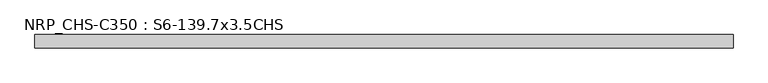
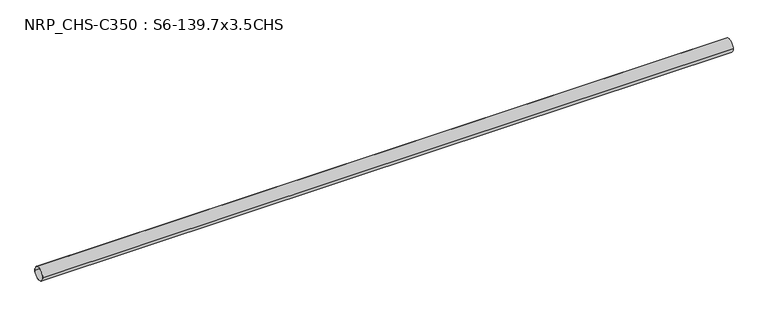
"""IFC4 building model written with IfcOpenShell, lengths in millimetres: beam geometry, NRP_CHS-C350 : S6-139.7x3.5CHS."""

from ifc_helpers import new_model, si_unit, point, frame, origin, origin_2d, place, context, project, spatial, circle_curve, trimmed, segment, composite_curve, outline, extrude, source, transform, mapped, element, save


def nrp_chs_c350_s6_139_7x3_5chs_2695c029(model_context):
    return source(origin(), model_context, "Body", "SweptSolid", [
        extrude(outline(composite_curve([segment(trimmed(circle_curve(origin_2d(), 69.85), [point((69.85, 0.0))], [point((-69.85, 0.0))], False, "CARTESIAN"), True, "CONTINUOUS"), segment(trimmed(circle_curve(origin_2d(), 69.85), [point((-69.85, 0.0))], [point((69.85, 0.0))], False, "CARTESIAN"), True, "CONTINUOUS")], self_intersect=False), holes=[composite_curve([segment(trimmed(circle_curve(origin_2d(), 66.35), [point((-66.35, 0.0))], [point((66.35, 0.0))], True, "CARTESIAN"), True, "CONTINUOUS"), segment(trimmed(circle_curve(origin_2d(), 66.35), [point((66.35, 0.0))], [point((-66.35, 0.0))], True, "CARTESIAN"), True, "CONTINUOUS")], self_intersect=False)]), frame((-3604.05, 0.0, 0.0), z_axis=(1.0, 0.0, 0.0), x_axis=(0.0, 1.0, 0.0)), (0.0, 0.0, 1.0), 7198.6),
    ])


if __name__ == "__main__":
    model = new_model("IFC4")
    model_context = context("Model", 3, world=origin())
    ifc_project = project(units=[si_unit("LENGTHUNIT", "METRE", prefix="MILLI")], contexts=[model_context])
    site = spatial("IfcSite", under=ifc_project)
    building = spatial("IfcBuilding", under=site)
    placement = place(None, origin())
    nrp_chs_c350_s6_139_7x3_5chs_shape = nrp_chs_c350_s6_139_7x3_5chs_2695c029(model_context)
    element("IfcBeam", 1, ObjectType="NRP_CHS-C350 : S6-139.7x3.5CHS", at=placement, inside=building, context=model_context, shape_type="MappedRepresentation", body=[
        mapped(nrp_chs_c350_s6_139_7x3_5chs_shape, transform((0.0, 0.0, 0.0), x_axis=(1.0, 0.0, 0.0), y_axis=(0.0, 1.0, 0.0), z_axis=(0.0, 0.0, 1.0))),
    ])
    save(model, "model.ifc")
